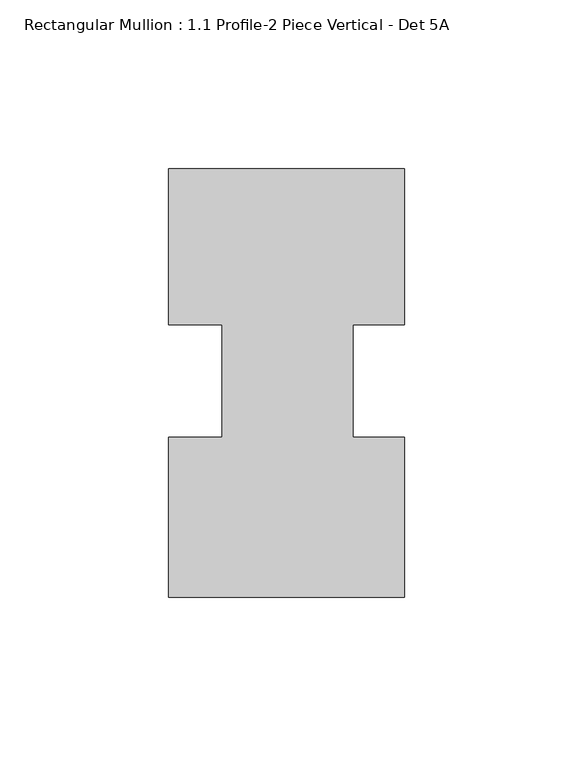
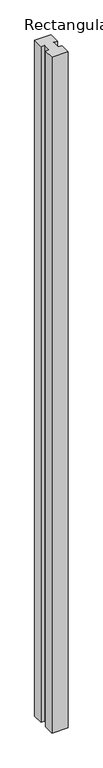
"""IFC4 building model written with IfcOpenShell, lengths in millimetres: member geometry, Rectangular Mullion : 1.1 Profile-2 Piece Vertical - Det 5A."""

from ifc_helpers import new_model, si_unit, frame, origin, place, context, project, spatial, polyline, outline, extrude, source, transform, mapped, element, save


def rectangular_mullion_1_1_profile_2_piece_vertical_det_5a_bb1185d4(model_context):
    return source(origin(), model_context, "Body", "SweptSolid", [
        extrude(outline(polyline([(0.0, -59.9394629), (-69.85, -59.9394629), (-69.85, -12.4569878), (-53.975, -12.4569878), (-53.975, 20.8231314), (-69.85, 20.8231314), (-69.85, 67.0605371), (0.0, 67.0605371), (0.0, 20.8727407), (-15.24, 20.8727407), (-15.24, -12.4569878), (0.0, -12.4569878), (0.0, -59.9394629)])), frame((0.0, 0.0, -3048.0), z_axis=(0.0, 0.0, 1.0), x_axis=(1.0, 0.0, 0.0)), (0.0, 0.0, 1.0), 3048.0),
    ])


if __name__ == "__main__":
    model = new_model("IFC4")
    model_context = context("Model", 3, world=origin())
    ifc_project = project(units=[si_unit("LENGTHUNIT", "METRE", prefix="MILLI")], contexts=[model_context])
    site = spatial("IfcSite", under=ifc_project)
    building = spatial("IfcBuilding", under=site)
    placement = place(None, origin())
    rectangular_mullion_1_1_profile_2_piece_vertical_det_5a_shape = rectangular_mullion_1_1_profile_2_piece_vertical_det_5a_bb1185d4(model_context)
    element("IfcMember", 1, ObjectType="Rectangular Mullion : 1.1 Profile-2 Piece Vertical - Det 5A", at=placement, inside=building, context=model_context, shape_type="MappedRepresentation", body=[
        mapped(rectangular_mullion_1_1_profile_2_piece_vertical_det_5a_shape, transform((0.0, 0.0, 0.0), x_axis=(1.0, 0.0, 0.0), y_axis=(0.0, 1.0, 0.0), z_axis=(0.0, 0.0, 1.0))),
    ])
    save(model, "model.ifc")
